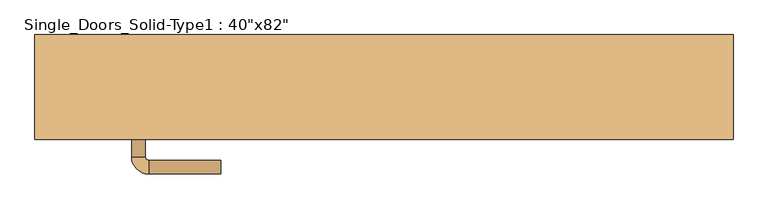
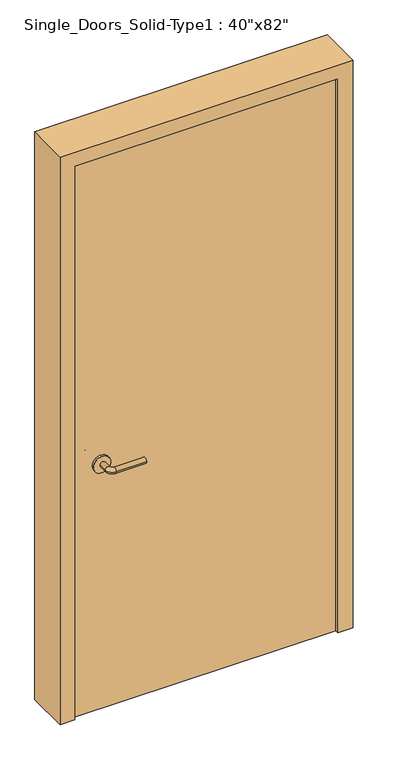
"""IFC4 building model written with IfcOpenShell, lengths in millimetres: door geometry."""

from ifc_helpers import new_model, si_unit, point, frame, frame_2d, origin, origin_with_axes, place, context, project, spatial, polyline, circle_curve, ellipse_curve, trimmed, segment, composite_curve, outline, extrude, faceted_brep, source, transform, mapped, element, save
from ifc_brep_helpers import plane_surface, cylinder_surface, revolved_surface, advanced_brep


def door_d0d33399(model_context):
    return source(origin(), model_context, "Body", "SolidModel", [
        advanced_brep(
        [(-367.2, -17.4, 900.0), (-347.2, -17.4, 900.0), (-367.2, 12.6, 900.0), (-347.2, 12.6, 900.0), (-342.2, 17.6, 900.0), (-342.2, 37.6, 900.0), (-237.2, 37.6, 900.0), (-237.2, 17.6, 900.0)],
        [
            (0, 1, circle_curve(frame((-357.2, -17.4, 900.0), z_axis=(0.0, -1.0, 0.0), x_axis=(1.0, 0.0, 0.0)), 10.0)),
            (1, 0, circle_curve(frame((-357.2, -17.4, 900.0), z_axis=(0.0, -1.0, 0.0), x_axis=(1.0, 0.0, 0.0)), 10.0)),
            (0, 2),
            (2, 3, circle_curve(frame((-357.2, 12.6, 900.0), z_axis=(0.0, -1.0, 0.0), x_axis=(1.0, 0.0, 0.0)), 10.0)),
            (3, 1),
            (3, 2, circle_curve(frame((-357.2, 12.6, 900.0), z_axis=(0.0, -1.0, 0.0), x_axis=(1.0, 0.0, 0.0)), 10.0)),
            (4, 3, circle_curve(frame((-342.2, 12.6, 900.0), z_axis=(0.0, 0.0, 1.0), x_axis=(-1.0, 0.0, 0.0)), 5.0)),
            (2, 5, circle_curve(frame((-342.2, 12.6, 900.0), z_axis=(0.0, 0.0, -1.0), x_axis=(-1.0, 0.0, 0.0)), 25.0)),
            (5, 4, circle_curve(frame((-342.2, 27.6, 900.0), z_axis=(-1.0, 0.0, 0.0), x_axis=(0.0, -1.0, 0.0)), 10.0)),
            (4, 5, circle_curve(frame((-342.2, 27.6, 900.0), z_axis=(-1.0, 0.0, 0.0), x_axis=(0.0, -1.0, 0.0)), 10.0)),
            (6, 7, circle_curve(frame((-237.2, 27.6, 900.0), z_axis=(1.0, 0.0, 0.0), x_axis=(0.0, -1.0, 0.0)), 10.0)),
            (7, 6, circle_curve(frame((-237.2, 27.6, 900.0), z_axis=(1.0, 0.0, 0.0), x_axis=(0.0, -1.0, 0.0)), 10.0)),
            (5, 6),
            (7, 4),
        ],
        [
            plane_surface(frame((-357.2, -17.4, 900.0), z_axis=(0.0, -1.0, 0.0), x_axis=(0.0, 0.0, 1.0))),
            cylinder_surface(frame((-357.2, -17.4, 900.0), z_axis=(0.0, -1.0, 0.0), x_axis=(1.0, 0.0, 0.0)), 10.0),
            revolved_surface(trimmed(ellipse_curve(frame((-357.2, 12.6, 900.0), z_axis=(0.0, -1.0, 0.0), x_axis=(1.0, 0.0, 0.0)), 10.0, 10.0), [point((-367.2, 12.6, 900.0))], [point((-347.2, 12.6, 900.0))], True, "CARTESIAN"), (-342.2, 12.6, 900.0), (0.0, 0.0, -1.0)),
            revolved_surface(trimmed(ellipse_curve(frame((-357.2, 12.6, 900.0), z_axis=(0.0, -1.0, 0.0), x_axis=(1.0, 0.0, 0.0)), 10.0, 10.0), [point((-347.2, 12.6, 900.0))], [point((-367.2, 12.6, 900.0))], True, "CARTESIAN"), (-342.2, 12.6, 900.0), (0.0, 0.0, -1.0)),
            plane_surface(frame((-237.2, 27.6, 900.0), z_axis=(1.0, 0.0, 0.0), x_axis=(0.0, 0.0, 1.0))),
            cylinder_surface(frame((-342.2, 27.6, 900.0), z_axis=(-1.0, 0.0, 0.0), x_axis=(0.0, -1.0, 0.0)), 10.0),
        ],
        [
            (0, [[1, 2]]),
            (1, [[-1, 3, 4, 5]]),
            (1, [[-2, -5, 6, -3]]),
            (2, [[7, -4, 8, 9]]),
            (3, [[-8, -6, -7, 10]]),
            (4, [[11, 12]]),
            (5, [[-9, 13, -12, 14]]),
            (5, [[-10, -14, -11, -13]]),
        ],
    ),
        extrude(outline(composite_curve([segment(trimmed(circle_curve(frame_2d((900.0, -359.7)), 30.0), [point((900.0, -389.7))], [point((900.0, -329.7))], False, "CARTESIAN"), True, "CONTINUOUS"), segment(trimmed(circle_curve(frame_2d((900.0, -359.7)), 30.0), [point((900.0, -329.7))], [point((900.0, -389.7))], False, "CARTESIAN"), True, "CONTINUOUS")], self_intersect=False)), frame((0.0, -25.4, 0.0), z_axis=(0.0, 1.0, 0.0), x_axis=(0.0, 0.0, 1.0)), (0.0, 0.0, 1.0), 8.0),
        advanced_brep(
        [(-367.2, -71.5, 900.0), (-347.2, -71.5, 900.0), (-347.2, -101.5, 900.0), (-367.2, -101.5, 900.0), (-342.2, -106.5, 900.0), (-342.2, -126.5, 900.0), (-237.2, -126.5, 900.0), (-237.2, -106.5, 900.0)],
        [
            (0, 1, circle_curve(frame((-357.2, -71.5, 900.0), z_axis=(0.0, 1.0, 0.0), x_axis=(1.0, 0.0, 0.0)), 10.0)),
            (1, 0, circle_curve(frame((-357.2, -71.5, 900.0), z_axis=(0.0, 1.0, 0.0), x_axis=(1.0, 0.0, 0.0)), 10.0)),
            (1, 2),
            (2, 3, circle_curve(frame((-357.2, -101.5, 900.0), z_axis=(0.0, 1.0, 0.0), x_axis=(1.0, 0.0, 0.0)), 10.0)),
            (3, 0),
            (3, 2, circle_curve(frame((-357.2, -101.5, 900.0), z_axis=(0.0, 1.0, 0.0), x_axis=(1.0, 0.0, 0.0)), 10.0)),
            (4, 5, circle_curve(frame((-342.2, -116.5, 900.0), z_axis=(-1.0, 0.0, 0.0), x_axis=(0.0, 1.0, 0.0)), 10.0)),
            (5, 3, circle_curve(frame((-342.2, -101.5, 900.0), z_axis=(0.0, 0.0, -1.0), x_axis=(-1.0, 0.0, 0.0)), 25.0)),
            (2, 4, circle_curve(frame((-342.2, -101.5, 900.0), z_axis=(0.0, 0.0, 1.0), x_axis=(-1.0, 0.0, 0.0)), 5.0)),
            (5, 4, circle_curve(frame((-342.2, -116.5, 900.0), z_axis=(-1.0, 0.0, 0.0), x_axis=(0.0, 1.0, 0.0)), 10.0)),
            (6, 7, circle_curve(frame((-237.2, -116.5, 900.0), z_axis=(1.0, 0.0, 0.0), x_axis=(0.0, 1.0, 0.0)), 10.0)),
            (7, 6, circle_curve(frame((-237.2, -116.5, 900.0), z_axis=(1.0, 0.0, 0.0), x_axis=(0.0, 1.0, 0.0)), 10.0)),
            (4, 7),
            (6, 5),
        ],
        [
            plane_surface(frame((-357.2, -71.5, 900.0), z_axis=(0.0, 1.0, 0.0), x_axis=(0.0, 0.0, 1.0))),
            cylinder_surface(frame((-357.2, -71.5, 900.0), z_axis=(0.0, 1.0, 0.0), x_axis=(1.0, 0.0, 0.0)), 10.0),
            revolved_surface(trimmed(ellipse_curve(frame((-357.2, -101.5, 900.0), z_axis=(0.0, -1.0, 0.0), x_axis=(1.0, 0.0, 0.0)), 10.0, 10.0), [point((-367.2, -101.5, 900.0))], [point((-347.2, -101.5, 900.0))], True, "CARTESIAN"), (-342.2, -101.5, 900.0), (0.0, 0.0, -1.0)),
            revolved_surface(trimmed(ellipse_curve(frame((-357.2, -101.5, 900.0), z_axis=(0.0, -1.0, 0.0), x_axis=(1.0, 0.0, 0.0)), 10.0, 10.0), [point((-347.2, -101.5, 900.0))], [point((-367.2, -101.5, 900.0))], True, "CARTESIAN"), (-342.2, -101.5, 900.0), (0.0, 0.0, -1.0)),
            plane_surface(frame((-237.2, -116.5, 900.0), z_axis=(1.0, 0.0, 0.0), x_axis=(0.0, 0.0, 1.0))),
            cylinder_surface(frame((-342.2, -116.5, 900.0), z_axis=(-1.0, 0.0, 0.0), x_axis=(0.0, 1.0, 0.0)), 10.0),
        ],
        [
            (0, [[1, 2]]),
            (1, [[3, 4, 5, -2]]),
            (1, [[-5, 6, -3, -1]]),
            (2, [[7, 8, -4, 9]]),
            (3, [[10, -9, -6, -8]]),
            (4, [[11, 12]]),
            (5, [[13, -11, 14, -7]]),
            (5, [[-14, -12, -13, -10]]),
        ],
    ),
        extrude(outline(composite_curve([segment(trimmed(circle_curve(frame_2d((900.0, -359.7)), 30.0), [point((900.0, -389.7))], [point((900.0, -329.7))], False, "CARTESIAN"), True, "CONTINUOUS"), segment(trimmed(circle_curve(frame_2d((900.0, -359.7)), 30.0), [point((900.0, -329.7))], [point((900.0, -389.7))], False, "CARTESIAN"), True, "CONTINUOUS")], self_intersect=False)), frame((0.0, -71.5, 0.0), z_axis=(0.0, 1.0, 0.0), x_axis=(0.0, 0.0, 1.0)), (0.0, 0.0, 1.0), 8.0),
        faceted_brep([(-508.0, 76.2, 0.0), (-457.2, 76.2, 0.0), (-457.2, 50.8, 0.0), (-444.5, 50.8, 0.0), (-444.5, -25.4, 0.0), (-457.2, -25.4, 0.0), (-457.2, -76.2, 0.0), (-508.0, -76.2, 0.0), (-508.0, -76.2, 2082.8), (-508.0, 76.2, 2082.8), (-457.2, -76.2, 2032.0), (457.2, -76.2, 2032.0), (457.2, -76.2, 0.0), (508.0, -76.2, 0.0), (508.0, -76.2, 2082.8), (-457.2, -25.4, 2032.0), (-444.5, -25.4, 2019.3), (444.5, -25.4, 2019.3), (444.5, -25.4, 0.0), (457.2, -25.4, 0.0), (457.2, -25.4, 2032.0), (-444.5, 50.8, 2019.3), (-457.2, 50.8, 2032.0), (457.2, 50.8, 2032.0), (457.2, 50.8, 0.0), (444.5, 50.8, 0.0), (444.5, 50.8, 2019.3), (-457.2, 76.2, 2032.0), (508.0, 76.2, 2082.8), (508.0, 76.2, 0.0), (457.2, 76.2, 0.0), (457.2, 76.2, 2032.0)], [[[0, 1, 2, 3, 4, 5, 6, 7]], [[7, 8, 9, 0]], [[6, 10, 11, 12, 13, 14, 8, 7]], [[5, 15, 10, 6]], [[4, 16, 17, 18, 19, 20, 15, 5]], [[3, 21, 16, 4]], [[2, 22, 23, 24, 25, 26, 21, 3]], [[1, 27, 22, 2]], [[0, 9, 28, 29, 30, 31, 27, 1]], [[14, 13, 29, 28]], [[29, 13, 12, 19, 18, 25, 24, 30]], [[20, 19, 12, 11]], [[26, 25, 18, 17]], [[31, 30, 24, 23]], [[8, 14, 28, 9]], [[15, 20, 11, 10]], [[21, 26, 17, 16]], [[27, 31, 23, 22]]]),
        extrude(outline(polyline([(457.2, -25.4), (457.2, -63.5), (-457.2, -63.5), (-457.2, -25.4), (457.2, -25.4)])), origin_with_axes(), (0.0, 0.0, 1.0), 2032.0),
    ])


if __name__ == "__main__":
    model = new_model("IFC4")
    model_context = context("Model", 3, world=origin())
    ifc_project = project(units=[si_unit("LENGTHUNIT", "METRE", prefix="MILLI")], contexts=[model_context])
    site = spatial("IfcSite", under=ifc_project)
    building = spatial("IfcBuilding", under=site)
    placement = place(None, origin())
    door_shape = door_d0d33399(model_context)
    element("IfcDoor", 1, ObjectType="Single_Doors_Solid-Type1 : 40\"x82\"", at=placement, inside=building, context=model_context, shape_type="MappedRepresentation", body=[
        mapped(door_shape, transform((0.0, 0.0, 0.0), x_axis=(1.0, 0.0, 0.0), y_axis=(0.0, 1.0, 0.0), z_axis=(0.0, 0.0, 1.0))),
    ])
    save(model, "model.ifc")
